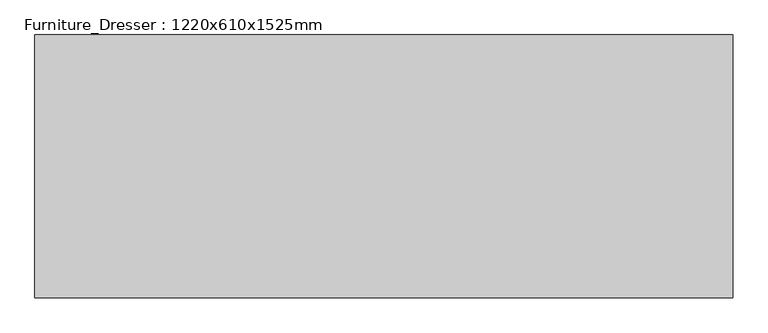
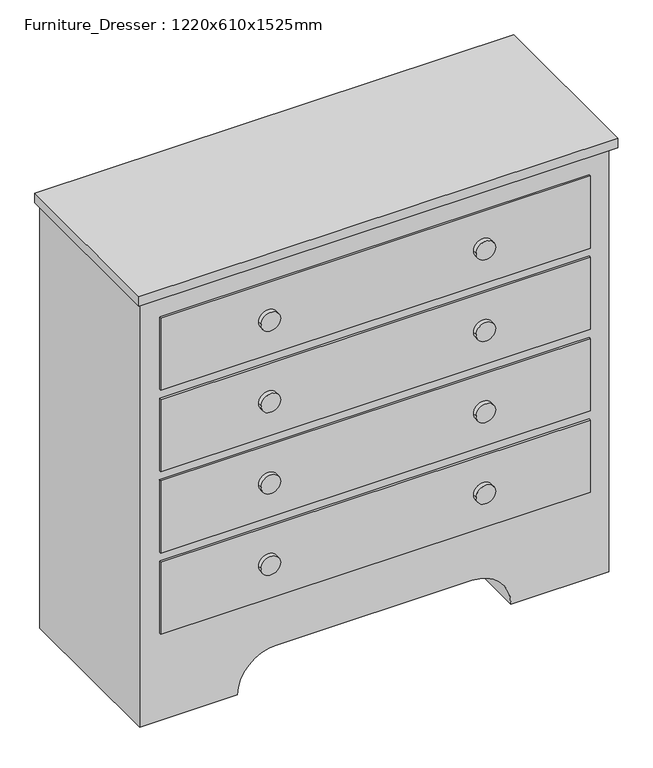
"""IFC4 building model written with IfcOpenShell, lengths in millimetres: furniture geometry, Furniture_Dresser : 1220x610x1525mm."""

import ifcopenshell
import ifcopenshell.guid

model = None  # the IFC model being written
_history = None  # IfcOwnerHistory: only IFC2X3 demands one
_inside = {}  # id of a spatial element -> (the spatial element, [elements in it])
_under = {}  # id of a project, library or spatial element -> (it, [spatial elements below it])
_declared = {}  # id of a project -> (the project, [libraries it declares])
_typed = {}  # id of a type object -> (the type object, [elements of that type])
_made_of = {}  # id of a material, layer set ... -> (it, [elements and type objects made of it])


def new_model(schema):
    """Start an empty IFC model of exactly this schema.

    Asked for "IFC4X3", IfcOpenShell would pick the latest addendum, in which some entities
    have other attributes; the version numbers below select the first issue.
    IFC2X3 requires an IfcOwnerHistory on every rooted entity: one is made here for all.
    """
    global model, _history
    if schema == "IFC4X3":
        model = ifcopenshell.file(schema_version=(4, 3, 0, 0))
    else:
        model = ifcopenshell.file(schema=schema)
    _inside.clear()
    _under.clear()
    _declared.clear()
    _typed.clear()
    _made_of.clear()
    _history = None
    if model.schema == "IFC2X3":
        org = make("IfcOrganization", Name="unknown")
        user = make(
            "IfcPersonAndOrganization",
            ThePerson=make("IfcPerson", FamilyName="unknown"),
            TheOrganization=org,
        )
        app = make(
            "IfcApplication",
            ApplicationDeveloper=org,
            Version="unknown",
            ApplicationFullName="unknown",
            ApplicationIdentifier="unknown",
        )
        _history = make(
            "IfcOwnerHistory",
            OwningUser=user,
            OwningApplication=app,
            ChangeAction="ADDED",
            CreationDate=0,
        )
    return model


def make(cls, **values):
    """One entity of the class cls with the attributes given. An attribute that is None is left unset."""
    return model.create_entity(
        cls, **{name: value for name, value in values.items() if value is not None}
    )


def rooted(cls, **values):
    """An entity with a GlobalId (a new one), such as an element, a storey or a relation."""
    return make(cls, GlobalId=ifcopenshell.guid.new(), OwnerHistory=_history, **values)


def si_unit(unit_type, name, prefix=None):
    """IfcSIUnit, for example si_unit("LENGTHUNIT", "METRE", prefix="MILLI")."""
    return make("IfcSIUnit", UnitType=unit_type, Prefix=prefix, Name=name)


def assignment(units):
    """IfcUnitAssignment: the units of a project."""
    return None if units is None else make("IfcUnitAssignment", Units=units)


def point(xyz):
    """IfcCartesianPoint."""
    return None if xyz is None else make("IfcCartesianPoint", Coordinates=xyz)


def direction(xyz):
    """IfcDirection."""
    return None if xyz is None else make("IfcDirection", DirectionRatios=xyz)


def frame(location, z_axis=None, x_axis=None):
    """IfcAxis2Placement3D, a coordinate frame: its origin and axes. An axis left out is left unset."""
    return make(
        "IfcAxis2Placement3D",
        Location=point(location),
        Axis=direction(z_axis),
        RefDirection=direction(x_axis),
    )


def frame_2d(location, x_axis=None):
    """IfcAxis2Placement2D, a coordinate frame in the plane: its origin and x axis."""
    return make(
        "IfcAxis2Placement2D", Location=point(location), RefDirection=direction(x_axis)
    )


def origin():
    """The frame at (0, 0, 0) with its axes left unset."""
    return frame((0.0, 0.0, 0.0))


def place(relative_to, where):
    """IfcLocalPlacement: puts the frame where relative to a parent placement (None: the world)."""
    return make(
        "IfcLocalPlacement", PlacementRelTo=relative_to, RelativePlacement=where
    )


def context(
    kind, dimensions, precision=None, world=None, true_north=None, identifier=None
):
    """IfcGeometricRepresentationContext, for example the 3D "Model" context."""
    return make(
        "IfcGeometricRepresentationContext",
        ContextIdentifier=identifier,
        ContextType=kind,
        CoordinateSpaceDimension=dimensions,
        Precision=precision,
        WorldCoordinateSystem=world,
        TrueNorth=true_north,
    )


def project(units=None, contexts=None):
    """IfcProject with its units and contexts."""
    return rooted(
        "IfcProject",
        Name="project",
        RepresentationContexts=contexts,
        UnitsInContext=assignment(units),
    )


def spatial(cls, under=None, at=None, **own):
    """A site, building, storey or space (cls), placed at a placement, below another one or the project."""
    s = rooted(cls, ObjectPlacement=at, **own)
    if under is not None:
        _under.setdefault(under.id(), (under, []))[1].append(s)
    return s


def polyline(points):
    """IfcPolyline through the points."""
    return make("IfcPolyline", Points=[point(p) for p in points])


def circle_curve(where, radius):
    """IfcCircle in the frame where."""
    return make("IfcCircle", Position=where, Radius=radius)


def trimmed(basis, trim1, trim2, sense, master):
    """IfcTrimmedCurve: the piece of a basis curve between two trims."""
    return make(
        "IfcTrimmedCurve",
        BasisCurve=basis,
        Trim1=trim1,
        Trim2=trim2,
        SenseAgreement=sense,
        MasterRepresentation=master,
    )


def segment(curve, same_sense, transition):
    """IfcCompositeCurveSegment."""
    return make(
        "IfcCompositeCurveSegment",
        Transition=transition,
        SameSense=same_sense,
        ParentCurve=curve,
    )


def composite_curve(segments, self_intersect=None):
    """IfcCompositeCurve: segments joined end to end."""
    return make("IfcCompositeCurve", Segments=segments, SelfIntersect=self_intersect)


def outline(outer, holes=None, kind="AREA"):
    """IfcArbitraryClosedProfileDef: a profile drawn as a closed curve; with holes, ...WithVoids."""
    if holes is None:
        return make("IfcArbitraryClosedProfileDef", ProfileType=kind, OuterCurve=outer)
    return make(
        "IfcArbitraryProfileDefWithVoids",
        ProfileType=kind,
        OuterCurve=outer,
        InnerCurves=holes,
    )


def extrude(swept, where, along, depth):
    """IfcExtrudedAreaSolid: the profile swept, set in the frame where, extruded along a direction by depth."""
    return make(
        "IfcExtrudedAreaSolid",
        SweptArea=swept,
        Position=where,
        ExtrudedDirection=direction(along),
        Depth=depth,
    )


def shape(context_of_items, identifier, shape_type, items):
    """IfcShapeRepresentation: the items that make up one representation, for example the "Body"."""
    return make(
        "IfcShapeRepresentation",
        ContextOfItems=context_of_items,
        RepresentationIdentifier=identifier,
        RepresentationType=shape_type,
        Items=items,
    )


def source(mapping_origin, context_of_items, identifier, shape_type, items):
    """IfcRepresentationMap: a shape defined once, which mapped items show again and again."""
    return make(
        "IfcRepresentationMap",
        MappingOrigin=mapping_origin,
        MappedRepresentation=shape(context_of_items, identifier, shape_type, items),
    )


def transform(
    local_origin,
    x_axis=None,
    y_axis=None,
    z_axis=None,
    scale=None,
    scale2=None,
    scale3=None,
    uniform=True,
):
    """IfcCartesianTransformationOperator3D, or its non-uniform kind. x_axis, y_axis, z_axis: its Axis1, 2, 3."""
    if uniform:
        return make(
            "IfcCartesianTransformationOperator3D",
            Axis1=direction(x_axis),
            Axis2=direction(y_axis),
            LocalOrigin=point(local_origin),
            Scale=scale,
            Axis3=direction(z_axis),
        )
    return make(
        "IfcCartesianTransformationOperator3DnonUniform",
        Axis1=direction(x_axis),
        Axis2=direction(y_axis),
        LocalOrigin=point(local_origin),
        Scale=scale,
        Axis3=direction(z_axis),
        Scale2=scale2,
        Scale3=scale3,
    )


def mapped(mapping_source, mapping_target):
    """IfcMappedItem: shows the shape of a source again, moved by a transform."""
    return make(
        "IfcMappedItem", MappingSource=mapping_source, MappingTarget=mapping_target
    )


def made_of(thing, what):
    """Note that an element or type object is made of a material, layer set ...; save() writes the relation."""
    if what is not None:
        _made_of.setdefault(what.id(), (what, []))[1].append(thing)
    return thing


def element(
    cls,
    number,
    at=None,
    inside=None,
    cuts=None,
    type_object=None,
    material=None,
    context=None,
    identifier="Body",
    shape_type=None,
    held_by="IfcProductDefinitionShape",
    body=None,
    shapes=None,
    **own,
):
    """One element of the class cls, such as IfcWall. Its Tag is "e" and its number.

    at: its placement. inside: the storey or other place that contains it. cuts: it is an
    opening in that element (IfcRelVoidsElement). A single representation is given by context,
    identifier, shape_type and body (its items); several are given by shapes. held_by: the class
    of the entity that holds the representations. save() writes the other relations.
    """
    e = rooted(cls, Tag="e%d" % number, ObjectPlacement=at, **own)
    if body is not None:
        shapes = [shape(context, identifier, shape_type, body)]
    if shapes is not None:
        e.Representation = make(held_by, Representations=shapes)
    if inside is not None:
        _inside.setdefault(inside.id(), (inside, []))[1].append(e)
    if cuts is not None:
        rooted(
            "IfcRelVoidsElement", RelatingBuildingElement=cuts, RelatedOpeningElement=e
        )
    if type_object is not None:
        _typed.setdefault(type_object.id(), (type_object, []))[1].append(e)
    return made_of(e, material)


def aggregate(whole, parts):
    """IfcRelAggregates: a whole, such as a stair, and the parts it consists of."""
    return rooted("IfcRelAggregates", RelatingObject=whole, RelatedObjects=parts)


def save(model, path):
    """Write the relations noted so far, then the file.

    IfcRelAggregates (storeys below a building ...), IfcRelContainedInSpatialStructure (elements
    in a storey), IfcRelDefinesByType, IfcRelAssociatesMaterial and IfcRelDeclares: one each for
    every whole, place, type object, material and project.
    """
    for whole, parts in _under.values():
        aggregate(whole, parts)
    for where, things in _inside.values():
        rooted(
            "IfcRelContainedInSpatialStructure",
            RelatedElements=things,
            RelatingStructure=where,
        )
    for kind, things in _typed.values():
        rooted("IfcRelDefinesByType", RelatedObjects=things, RelatingType=kind)
    for what, things in _made_of.values():
        rooted("IfcRelAssociatesMaterial", RelatedObjects=things, RelatingMaterial=what)
    for by, libraries in _declared.values():
        rooted("IfcRelDeclares", RelatingContext=by, RelatedDefinitions=libraries)
    model.write(path)


def furniture_dresser_1220x610x1525mm_c2d82205(model_context):
    return source(origin(), model_context, "Body", "SweptSolid", [
        extrude(outline(composite_curve([segment(polyline([(0.0, 340.8067402), (1174.6, 340.8067402), (1174.6, -879.1932598), (0.0, -879.1932598), (0.0, -625.1932598)]), True, "CONTINUOUS"), segment(trimmed(circle_curve(frame_2d((0.0, -523.5932598)), 101.6), [point((0.0, -625.1932598))], [point((101.6, -523.5932598))], True, "CARTESIAN"), True, "CONTINUOUS"), segment(polyline([(101.6, -523.5932598), (101.6, -14.7932598)]), True, "CONTINUOUS"), segment(trimmed(circle_curve(frame_2d((0.0, -14.7932598)), 101.6), [point((101.6, -14.7932598))], [point((0.0, 86.8067402))], True, "CARTESIAN"), True, "CONTINUOUS"), segment(polyline([(0.0, 86.8067402), (0.0, 340.8067402)]), True, "CONTINUOUS")], self_intersect=False)), frame((0.0, -588.1629541, 0.0), z_axis=(0.0, 1.0, 0.0), x_axis=(0.0, 0.0, 1.0)), (0.0, 0.0, 1.0), 450.0),
        extrude(outline(polyline([(353.5067402, -138.1629541), (353.5067402, -607.2129541), (-891.8932598, -607.2129541), (-891.8932598, -138.1629541), (353.5067402, -138.1629541)])), frame((0.0, 0.0, 1174.6), z_axis=(0.0, 0.0, 1.0), x_axis=(1.0, 0.0, 0.0)), (0.0, 0.0, 1.0), 25.4),
        extrude(outline(polyline([(290.0067402, -594.5129541), (-828.3932598, -594.5129541), (-828.3932598, -588.1629541), (290.0067402, -588.1629541), (290.0067402, -594.5129541)])), frame((0.0, 0.0, 912.7), z_axis=(0.0, 0.0, 1.0), x_axis=(1.0, 0.0, 0.0)), (0.0, 0.0, 1.0), 198.4),
        extrude(outline(polyline([(290.0067402, -594.5129541), (-828.3932598, -594.5129541), (-828.3932598, -588.1629541), (290.0067402, -588.1629541), (290.0067402, -594.5129541)])), frame((0.0, 0.0, 688.9), z_axis=(0.0, 0.0, 1.0), x_axis=(1.0, 0.0, 0.0)), (0.0, 0.0, 1.0), 198.4),
        extrude(outline(polyline([(290.0067402, -594.5129541), (-828.3932598, -594.5129541), (-828.3932598, -588.1629541), (290.0067402, -588.1629541), (290.0067402, -594.5129541)])), frame((0.0, 0.0, 465.1), z_axis=(0.0, 0.0, 1.0), x_axis=(1.0, 0.0, 0.0)), (0.0, 0.0, 1.0), 198.4),
        extrude(outline(polyline([(290.0067402, -594.5129541), (-828.3932598, -594.5129541), (-828.3932598, -588.1629541), (290.0067402, -588.1629541), (290.0067402, -594.5129541)])), frame((0.0, 0.0, 241.3), z_axis=(0.0, 0.0, 1.0), x_axis=(1.0, 0.0, 0.0)), (0.0, 0.0, 1.0), 198.4),
        extrude(outline(composite_curve([segment(trimmed(circle_curve(frame_2d((1011.9, 10.4067402)), 25.4), [point((1011.9, -14.9932598))], [point((1011.9, 35.8067402))], False, "CARTESIAN"), True, "CONTINUOUS"), segment(trimmed(circle_curve(frame_2d((1011.9, 10.4067402)), 25.4), [point((1011.9, 35.8067402))], [point((1011.9, -14.9932598))], False, "CARTESIAN"), True, "CONTINUOUS")], self_intersect=False)), frame((0.0, -607.2129541, 0.0), z_axis=(0.0, 1.0, 0.0), x_axis=(0.0, 0.0, 1.0)), (0.0, 0.0, 1.0), 12.7),
        extrude(outline(composite_curve([segment(trimmed(circle_curve(frame_2d((788.1, 10.4067402)), 25.4), [point((788.1, -14.9932598))], [point((788.1, 35.8067402))], False, "CARTESIAN"), True, "CONTINUOUS"), segment(trimmed(circle_curve(frame_2d((788.1, 10.4067402)), 25.4), [point((788.1, 35.8067402))], [point((788.1, -14.9932598))], False, "CARTESIAN"), True, "CONTINUOUS")], self_intersect=False)), frame((0.0, -607.2129541, 0.0), z_axis=(0.0, 1.0, 0.0), x_axis=(0.0, 0.0, 1.0)), (0.0, 0.0, 1.0), 12.7),
        extrude(outline(composite_curve([segment(trimmed(circle_curve(frame_2d((564.3, 10.4067402)), 25.4), [point((564.3, -14.9932598))], [point((564.3, 35.8067402))], False, "CARTESIAN"), True, "CONTINUOUS"), segment(trimmed(circle_curve(frame_2d((564.3, 10.4067402)), 25.4), [point((564.3, 35.8067402))], [point((564.3, -14.9932598))], False, "CARTESIAN"), True, "CONTINUOUS")], self_intersect=False)), frame((0.0, -607.2129541, 0.0), z_axis=(0.0, 1.0, 0.0), x_axis=(0.0, 0.0, 1.0)), (0.0, 0.0, 1.0), 12.7),
        extrude(outline(composite_curve([segment(trimmed(circle_curve(frame_2d((340.5, 10.4067402)), 25.4), [point((340.5, -14.9932598))], [point((340.5, 35.8067402))], False, "CARTESIAN"), True, "CONTINUOUS"), segment(trimmed(circle_curve(frame_2d((340.5, 10.4067402)), 25.4), [point((340.5, 35.8067402))], [point((340.5, -14.9932598))], False, "CARTESIAN"), True, "CONTINUOUS")], self_intersect=False)), frame((0.0, -607.2129541, 0.0), z_axis=(0.0, 1.0, 0.0), x_axis=(0.0, 0.0, 1.0)), (0.0, 0.0, 1.0), 12.7),
        extrude(outline(composite_curve([segment(trimmed(circle_curve(frame_2d((340.5, -548.7932598)), 25.4), [point((340.5, -574.1932598))], [point((340.5, -523.3932598))], False, "CARTESIAN"), True, "CONTINUOUS"), segment(trimmed(circle_curve(frame_2d((340.5, -548.7932598)), 25.4), [point((340.5, -523.3932598))], [point((340.5, -574.1932598))], False, "CARTESIAN"), True, "CONTINUOUS")], self_intersect=False)), frame((0.0, -607.2129541, 0.0), z_axis=(0.0, 1.0, 0.0), x_axis=(0.0, 0.0, 1.0)), (0.0, 0.0, 1.0), 12.7),
        extrude(outline(composite_curve([segment(trimmed(circle_curve(frame_2d((564.3, -548.7932598)), 25.4), [point((564.3, -574.1932598))], [point((564.3, -523.3932598))], False, "CARTESIAN"), True, "CONTINUOUS"), segment(trimmed(circle_curve(frame_2d((564.3, -548.7932598)), 25.4), [point((564.3, -523.3932598))], [point((564.3, -574.1932598))], False, "CARTESIAN"), True, "CONTINUOUS")], self_intersect=False)), frame((0.0, -607.2129541, 0.0), z_axis=(0.0, 1.0, 0.0), x_axis=(0.0, 0.0, 1.0)), (0.0, 0.0, 1.0), 12.7),
        extrude(outline(composite_curve([segment(trimmed(circle_curve(frame_2d((788.1, -548.7932598)), 25.4), [point((788.1, -574.1932598))], [point((788.1, -523.3932598))], False, "CARTESIAN"), True, "CONTINUOUS"), segment(trimmed(circle_curve(frame_2d((788.1, -548.7932598)), 25.4), [point((788.1, -523.3932598))], [point((788.1, -574.1932598))], False, "CARTESIAN"), True, "CONTINUOUS")], self_intersect=False)), frame((0.0, -607.2129541, 0.0), z_axis=(0.0, 1.0, 0.0), x_axis=(0.0, 0.0, 1.0)), (0.0, 0.0, 1.0), 12.7),
        extrude(outline(composite_curve([segment(trimmed(circle_curve(frame_2d((1011.9, -548.7932598)), 25.4), [point((1011.9, -574.1932598))], [point((1011.9, -523.3932598))], False, "CARTESIAN"), True, "CONTINUOUS"), segment(trimmed(circle_curve(frame_2d((1011.9, -548.7932598)), 25.4), [point((1011.9, -523.3932598))], [point((1011.9, -574.1932598))], False, "CARTESIAN"), True, "CONTINUOUS")], self_intersect=False)), frame((0.0, -607.2129541, 0.0), z_axis=(0.0, 1.0, 0.0), x_axis=(0.0, 0.0, 1.0)), (0.0, 0.0, 1.0), 12.7),
    ])


if __name__ == "__main__":
    model = new_model("IFC4")
    model_context = context("Model", 3, world=origin())
    ifc_project = project(units=[si_unit("LENGTHUNIT", "METRE", prefix="MILLI")], contexts=[model_context])
    site = spatial("IfcSite", under=ifc_project)
    building = spatial("IfcBuilding", under=site)
    placement = place(None, origin())
    furniture_dresser_1220x610x1525mm_shape = furniture_dresser_1220x610x1525mm_c2d82205(model_context)
    element("IfcFurniture", 1, ObjectType="Furniture_Dresser : 1220x610x1525mm", at=placement, inside=building, context=model_context, shape_type="MappedRepresentation", body=[
        mapped(furniture_dresser_1220x610x1525mm_shape, transform((0.0, 0.0, 0.0), x_axis=(1.0, 0.0, 0.0), y_axis=(0.0, 1.0, 0.0), z_axis=(0.0, 0.0, 1.0))),
    ])
    save(model, "model.ifc")
